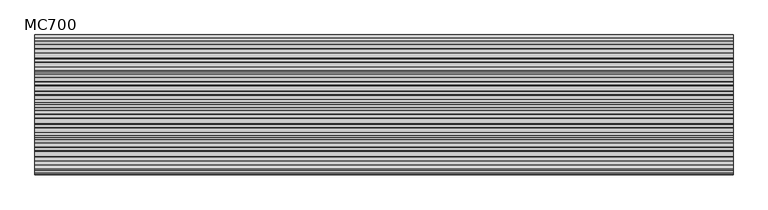
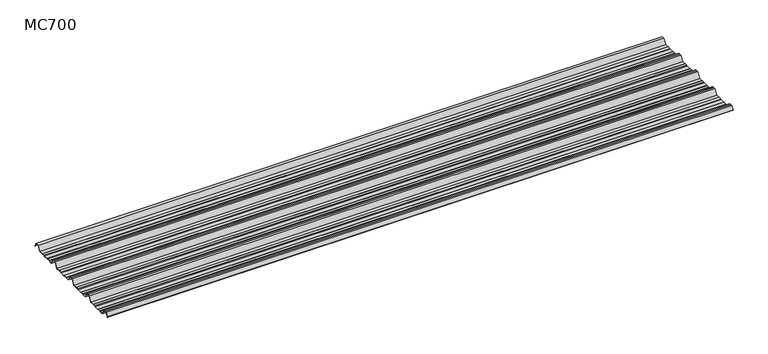
"""IFC4 building model written with IfcOpenShell, lengths in millimetres: beam geometry, MC700."""

from ifc_helpers import new_model, si_unit, point, frame, frame_2d, origin, place, context, project, spatial, polyline, circle_curve, trimmed, segment, composite_curve, outline, extrude, source, transform, mapped, element, save


def mc700_df4295ea(model_context):
    return source(origin(), model_context, "Body", "SweptSolid", [
        extrude(outline(composite_curve([segment(polyline([(-279.7790109, -25.7896475), (-284.1593286, -23.7494212), (-300.5873198, -23.7494212), (-303.802364, -25.7896475), (-326.5000016, -25.7896475), (-344.5745116, 5.2103525), (-355.0, 5.2103525), (-365.4254884, 5.2103525), (-383.4999984, -25.7896475), (-406.197636, -25.7896475), (-409.4126802, -23.7494212), (-425.8406714, -23.7494212), (-430.2209891, -25.7896475), (-457.2790109, -25.7896475), (-461.6593286, -23.7494212), (-478.0873198, -23.7494212), (-481.302364, -25.7896475), (-504.0000016, -25.7896475), (-522.0745116, 5.2103525), (-532.5, 5.2103525), (-542.9254884, 5.2103525), (-560.9999984, -25.7896475), (-583.697636, -25.7896475), (-586.9126802, -23.7494212), (-603.3406714, -23.7494212), (-607.7209891, -25.7896475), (-634.7790109, -25.7896475), (-639.1593286, -23.7494212), (-655.5873198, -23.7494212), (-658.802364, -25.7896475), (-681.5000016, -25.7896475), (-699.5745116, 5.2103525), (-710.0, 5.2103525), (-720.4254884, 5.2103525), (-732.728303, -15.8904825)]), True, "CONTINUOUS"), segment(trimmed(circle_curve(frame_2d((-733.160246, -15.6386387)), 0.5), [point((-732.728303, -15.8904825))], [point((-733.5921889, -15.3867949))], False, "CARTESIAN"), True, "CONTINUOUS"), segment(polyline([(-733.5921889, -15.3867949), (-721.0, 6.2103525), (-710.0, 6.2103525), (-699.0, 6.2103525), (-680.92549, -24.7896475), (-659.0928785, -24.7896475), (-655.8778343, -22.7494212), (-638.9378651, -22.7494212), (-634.5575473, -24.7896475), (-607.9424527, -24.7896475), (-603.5621349, -22.7494212), (-586.6221657, -22.7494212), (-583.4071215, -24.7896475), (-561.57451, -24.7896475), (-543.5, 6.2103525), (-532.5, 6.2103525), (-521.5, 6.2103525), (-503.42549, -24.7896475), (-481.5928785, -24.7896475), (-478.3778343, -22.7494212), (-461.4378651, -22.7494212), (-457.0575473, -24.7896475), (-430.4424527, -24.7896475), (-426.0621349, -22.7494212), (-409.1221657, -22.7494212), (-405.9071215, -24.7896475), (-384.07451, -24.7896475), (-366.0, 6.2103525), (-355.0, 6.2103525), (-344.0, 6.2103525), (-325.92549, -24.7896475), (-304.0928785, -24.7896475), (-300.8778343, -22.7494212), (-283.9378651, -22.7494212), (-279.5575473, -24.7896475), (-252.9424527, -24.7896475), (-248.5621349, -22.7494212), (-231.6221657, -22.7494212), (-228.4071215, -24.7896475), (-206.57451, -24.7896475), (-188.5, 6.2103525), (-177.5, 6.2103525), (-166.5, 6.2103525), (-148.42549, -24.7896475), (-126.5928785, -24.7896475), (-123.3778343, -22.7494212), (-106.4378651, -22.7494212), (-102.0575473, -24.7896475), (-75.4424527, -24.7896475), (-71.0621349, -22.7494212), (-54.1221657, -22.7494212), (-50.9071215, -24.7896475), (-26.7593894, -24.7896475), (-9.8509769, 4.2103525), (9.8509769, 4.2103525), (24.2964926, -20.5654776)]), True, "CONTINUOUS"), segment(trimmed(circle_curve(frame_2d((23.8645497, -20.8173214)), 0.5), [point((24.2964926, -20.5654776))], [point((23.4326067, -21.0691651))], False, "CARTESIAN"), True, "CONTINUOUS"), segment(polyline([(23.4326067, -21.0691651), (9.2764653, 3.2103525), (-9.2764653, 3.2103525), (-26.1848779, -25.7896475), (-51.197636, -25.7896475), (-54.4126802, -23.7494212), (-70.8406714, -23.7494212), (-75.2209891, -25.7896475), (-102.2790109, -25.7896475), (-106.6593286, -23.7494212), (-123.0873198, -23.7494212), (-126.302364, -25.7896475), (-149.0000016, -25.7896475), (-167.0745116, 5.2103525), (-177.5, 5.2103525), (-187.9254884, 5.2103525), (-205.9999984, -25.7896475), (-228.697636, -25.7896475), (-231.9126802, -23.7494212), (-248.3406714, -23.7494212), (-252.7209891, -25.7896475), (-279.7790109, -25.7896475)]), True, "CONTINUOUS")], self_intersect=False)), frame((-1889.8301751, 0.0, 0.0), z_axis=(1.0, 0.0, 0.0), x_axis=(0.0, 1.0, 0.0)), (0.0, 0.0, 1.0), 3779.6603501),
    ])


if __name__ == "__main__":
    model = new_model("IFC4")
    model_context = context("Model", 3, world=origin())
    ifc_project = project(units=[si_unit("LENGTHUNIT", "METRE", prefix="MILLI")], contexts=[model_context])
    site = spatial("IfcSite", under=ifc_project)
    building = spatial("IfcBuilding", under=site)
    placement = place(None, origin())
    mc700_shape = mc700_df4295ea(model_context)
    element("IfcBeam", 1, ObjectType="MC700", at=placement, inside=building, context=model_context, shape_type="MappedRepresentation", body=[
        mapped(mc700_shape, transform((0.0, 0.0, 0.0), x_axis=(1.0, 0.0, 0.0), y_axis=(0.0, 1.0, 0.0), z_axis=(0.0, 0.0, 1.0))),
    ])
    save(model, "model.ifc")
